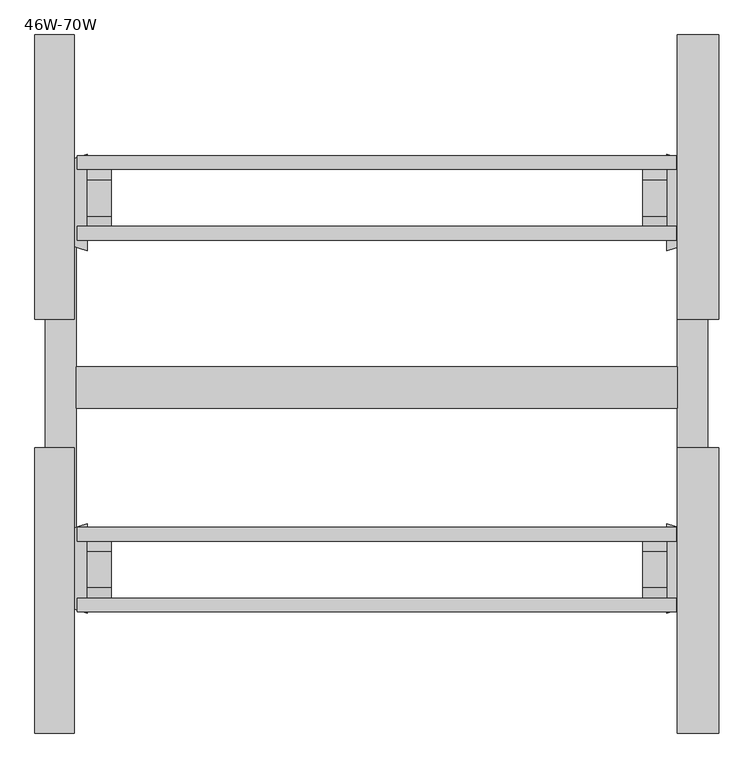
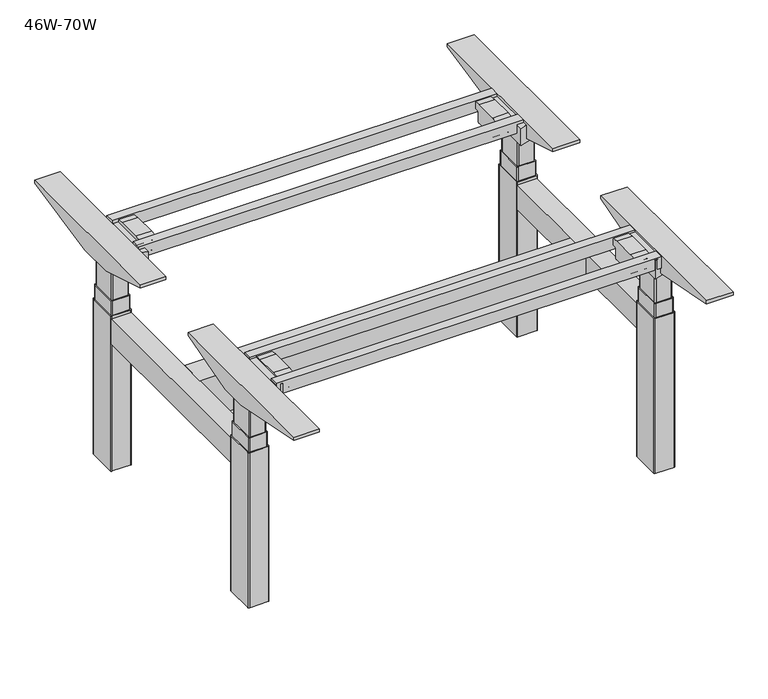
"""IFC4 building model written with IfcOpenShell, lengths in millimetres: furniture geometry, 46W-70W."""

from ifc_helpers import new_model, si_unit, point, frame, frame_2d, origin, origin_with_axes, place, context, project, spatial, polyline, circle_curve, trimmed, segment, composite_curve, outline, extrude, source, transform, mapped, element, save


def furniture_46w_70w_288d140d(model_context):
    return source(origin(), model_context, "Body", "SweptSolid", [
        extrude(outline(polyline([(1179.4504883, -466.1832528), (1179.4504883, -491.5833013), (77.8495117, -491.5833013), (77.8495117, -466.1832528), (1179.4504883, -466.1832528)])), frame((0.0, 0.0, 650.1997747), z_axis=(0.0, 0.0, 1.0), x_axis=(1.0, 0.0, 0.0)), (0.0, 0.0, 1.0), 35.6002253),
        extrude(outline(polyline([(1179.4504883, -336.1417692), (1179.4504883, -361.5418176), (77.8495117, -361.5418176), (77.8495117, -336.1417692), (1179.4504883, -336.1417692)])), frame((0.0, 0.0, 650.1997747), z_axis=(0.0, 0.0, 1.0), x_axis=(1.0, 0.0, 0.0)), (0.0, 0.0, 1.0), 35.6002253),
        extrude(outline(polyline([(1179.4504883, -1019.7166987), (1179.4504883, -1045.1167472), (77.8495117, -1045.1167472), (77.8495117, -1019.7166987), (1179.4504883, -1019.7166987)])), frame((0.0, 0.0, 650.1997747), z_axis=(0.0, 0.0, 1.0), x_axis=(1.0, 0.0, 0.0)), (0.0, 0.0, 1.0), 35.6002253),
        extrude(outline(polyline([(1179.4504883, -1149.7581824), (1179.4504883, -1175.1582308), (77.8495117, -1175.1582308), (77.8495117, -1149.7581824), (1179.4504883, -1149.7581824)])), frame((0.0, 0.0, 650.1997747), z_axis=(0.0, 0.0, 1.0), x_axis=(1.0, 0.0, 0.0)), (0.0, 0.0, 1.0), 35.6002253),
        extrude(outline(polyline([(467.7156009, 1180.882959), (467.7156009, 76.417041), (388.942891, 76.417041), (347.7514117, 129.7292559), (347.7514117, 1127.5707441), (388.942891, 1180.882959), (467.7156009, 1180.882959)])), frame((0.0, -800.1, 0.0), z_axis=(0.0, 1.0, 0.0), x_axis=(0.0, 0.0, 1.0)), (0.0, 0.0, 1.0), 76.2),
        extrude(outline(composite_curve([segment(polyline([(-1040.1471632, 662.7171551), (-1054.6796212, 662.7171551)]), True, "CONTINUOUS"), segment(trimmed(circle_curve(frame_2d((-1054.6796212, 660.1436804)), 2.5734747), [point((-1054.6796212, 662.7171551))], [point((-1057.2530959, 660.1436804))], True, "CARTESIAN"), True, "CONTINUOUS"), segment(polyline([(-1057.2530959, 660.1436804), (-1057.2530959, 633.6605175)]), True, "CONTINUOUS"), segment(trimmed(circle_curve(frame_2d((-1062.3077725, 633.6605175)), 5.0546767), [point((-1057.2530959, 633.6605175))], [point((-1062.3077725, 628.6058409))], False, "CARTESIAN"), True, "CONTINUOUS"), segment(polyline([(-1062.3077725, 628.6058409), (-1131.1363616, 628.6058409)]), True, "CONTINUOUS"), segment(trimmed(circle_curve(frame_2d((-1131.1363616, 633.4898603)), 4.8840194), [point((-1131.1363616, 628.6058409))], [point((-1136.020381, 633.4898603))], False, "CARTESIAN"), True, "CONTINUOUS"), segment(polyline([(-1136.020381, 633.4898603), (-1136.020381, 659.3779551)]), True, "CONTINUOUS"), segment(trimmed(circle_curve(frame_2d((-1139.1693211, 659.3779551)), 3.1489401), [point((-1136.020381, 659.3779551))], [point((-1139.1693211, 662.5268952))], True, "CARTESIAN"), True, "CONTINUOUS"), segment(polyline([(-1139.1693211, 662.5268952), (-1153.5282722, 662.5268952), (-1153.5282722, 682.4799481), (-1129.9048758, 685.8), (-1063.1945212, 685.8), (-1040.1471632, 682.5609051), (-1040.1471632, 662.7171551)]), True, "CONTINUOUS")], self_intersect=False)), frame((1117.6124023, 0.0, 0.0), z_axis=(1.0, 0.0, 0.0), x_axis=(0.0, 1.0, 0.0)), (0.0, 0.0, 1.0), 43.8949951),
        extrude(outline(composite_curve([segment(polyline([(-1040.2605008, 662.7171551), (-1054.7929587, 662.7171551)]), True, "CONTINUOUS"), segment(trimmed(circle_curve(frame_2d((-1054.7929587, 660.1436804)), 2.5734747), [point((-1054.7929587, 662.7171551))], [point((-1057.3664334, 660.1436804))], True, "CARTESIAN"), True, "CONTINUOUS"), segment(polyline([(-1057.3664334, 660.1436804), (-1057.3664334, 633.6605175)]), True, "CONTINUOUS"), segment(trimmed(circle_curve(frame_2d((-1062.42111, 633.6605175)), 5.0546767), [point((-1057.3664334, 633.6605175))], [point((-1062.42111, 628.6058409))], False, "CARTESIAN"), True, "CONTINUOUS"), segment(polyline([(-1062.42111, 628.6058409), (-1131.2496991, 628.6058409)]), True, "CONTINUOUS"), segment(trimmed(circle_curve(frame_2d((-1131.2496991, 633.4898603)), 4.8840194), [point((-1131.2496991, 628.6058409))], [point((-1136.1337185, 633.4898603))], False, "CARTESIAN"), True, "CONTINUOUS"), segment(polyline([(-1136.1337185, 633.4898603), (-1136.1337185, 659.3779551)]), True, "CONTINUOUS"), segment(trimmed(circle_curve(frame_2d((-1139.2826586, 659.3779551)), 3.1489401), [point((-1136.1337185, 659.3779551))], [point((-1139.2826586, 662.5268952))], True, "CARTESIAN"), True, "CONTINUOUS"), segment(polyline([(-1139.2826586, 662.5268952), (-1153.6416097, 662.5268952), (-1153.6416097, 682.4799481), (-1130.0182133, 685.8), (-1063.3078587, 685.8), (-1040.2605008, 682.5609051), (-1040.2605008, 662.7171551)]), True, "CONTINUOUS")], self_intersect=False)), frame((95.7926025, 0.0, 0.0), z_axis=(1.0, 0.0, 0.0), x_axis=(0.0, 1.0, 0.0)), (0.0, 0.0, 1.0), 45.0298096),
        extrude(outline(polyline([(-873.4827468, 676.5860275), (-1057.3018819, 624.5270521), (-1136.5016988, 624.5270521), (-1397.715681, 676.5860275), (-1397.715681, 685.8), (-873.4827468, 685.8), (-873.4827468, 676.5860275)])), frame((1180.882959, 0.0, 0.0), z_axis=(1.0, 0.0, 0.0), x_axis=(0.0, 1.0, 0.0)), (0.0, 0.0, 1.0), 76.417041),
        extrude(outline(polyline([(-873.4827468, 676.5860275), (-1057.3018819, 624.5270521), (-1136.5016988, 624.5270521), (-1397.715681, 676.5860275), (-1397.715681, 685.8), (-873.4827468, 685.8), (-873.4827468, 676.5860275)])), frame((0.0, 0.0, 0.0), z_axis=(1.0, 0.0, 0.0), x_axis=(0.0, 1.0, 0.0)), (0.0, 0.0, 1.0), 72.4079834),
        extrude(outline(composite_curve([segment(polyline([(-471.1298559, 662.7171551), (-471.1298559, 682.5609051), (-448.3484954, 685.7626165), (-381.1061459, 685.7626165), (-357.7487469, 682.4799481), (-357.7487469, 662.5268952), (-372.1076981, 662.5268952)]), True, "CONTINUOUS"), segment(trimmed(circle_curve(frame_2d((-372.1076981, 659.3779551)), 3.1489401), [point((-372.1076981, 662.5268952))], [point((-375.2566381, 659.3779551))], True, "CARTESIAN"), True, "CONTINUOUS"), segment(polyline([(-375.2566381, 659.3779551), (-375.2566381, 633.4898603)]), True, "CONTINUOUS"), segment(trimmed(circle_curve(frame_2d((-380.1406576, 633.4898603)), 4.8840194), [point((-375.2566381, 633.4898603))], [point((-380.1406576, 628.6058409))], False, "CARTESIAN"), True, "CONTINUOUS"), segment(polyline([(-380.1406576, 628.6058409), (-448.9692466, 628.6058409)]), True, "CONTINUOUS"), segment(trimmed(circle_curve(frame_2d((-448.9692466, 633.6605175)), 5.0546767), [point((-448.9692466, 628.6058409))], [point((-454.0239233, 633.6605175))], False, "CARTESIAN"), True, "CONTINUOUS"), segment(polyline([(-454.0239233, 633.6605175), (-454.0239233, 660.1436804)]), True, "CONTINUOUS"), segment(trimmed(circle_curve(frame_2d((-456.5973979, 660.1436804)), 2.5734747), [point((-454.0239233, 660.1436804))], [point((-456.5973979, 662.7171551))], True, "CARTESIAN"), True, "CONTINUOUS"), segment(polyline([(-456.5973979, 662.7171551), (-471.1298559, 662.7171551)]), True, "CONTINUOUS")], self_intersect=False)), frame((1117.6124023, 0.0, 0.0), z_axis=(1.0, 0.0, 0.0), x_axis=(0.0, 1.0, 0.0)), (0.0, 0.0, 1.0), 43.8949951),
        extrude(outline(polyline([(-361.2125066, 624.5270521), (-466.9950396, 624.5270521), (-637.1542941, 676.5860275), (-637.1542941, 685.8), (-114.0732863, 685.8), (-114.0732863, 676.3903854), (-361.2125066, 624.5270521)])), frame((1180.882959, 0.0, 0.0), z_axis=(1.0, 0.0, 0.0), x_axis=(0.0, 1.0, 0.0)), (0.0, 0.0, 1.0), 76.417041),
        extrude(outline(composite_curve([segment(polyline([(-471.1298559, 662.7171551), (-471.1298559, 682.5609051), (-448.3484954, 685.7626165), (-381.1061459, 685.7626165), (-357.7487469, 682.4799481), (-357.7487469, 662.5268952), (-372.1076981, 662.5268952)]), True, "CONTINUOUS"), segment(trimmed(circle_curve(frame_2d((-372.1076981, 659.3779551)), 3.1489401), [point((-372.1076981, 662.5268952))], [point((-375.2566381, 659.3779551))], True, "CARTESIAN"), True, "CONTINUOUS"), segment(polyline([(-375.2566381, 659.3779551), (-375.2566381, 633.4898603)]), True, "CONTINUOUS"), segment(trimmed(circle_curve(frame_2d((-380.1406576, 633.4898603)), 4.8840194), [point((-375.2566381, 633.4898603))], [point((-380.1406576, 628.6058409))], False, "CARTESIAN"), True, "CONTINUOUS"), segment(polyline([(-380.1406576, 628.6058409), (-448.9692466, 628.6058409)]), True, "CONTINUOUS"), segment(trimmed(circle_curve(frame_2d((-448.9692466, 633.6605175)), 5.0546767), [point((-448.9692466, 628.6058409))], [point((-454.0239233, 633.6605175))], False, "CARTESIAN"), True, "CONTINUOUS"), segment(polyline([(-454.0239233, 633.6605175), (-454.0239233, 660.1436804)]), True, "CONTINUOUS"), segment(trimmed(circle_curve(frame_2d((-456.5973979, 660.1436804)), 2.5734747), [point((-454.0239233, 660.1436804))], [point((-456.5973979, 662.7171551))], True, "CARTESIAN"), True, "CONTINUOUS"), segment(polyline([(-456.5973979, 662.7171551), (-471.1298559, 662.7171551)]), True, "CONTINUOUS")], self_intersect=False)), frame((95.7926025, 0.0, 0.0), z_axis=(1.0, 0.0, 0.0), x_axis=(0.0, 1.0, 0.0)), (0.0, 0.0, 1.0), 45.0298096),
        extrude(outline(polyline([(-361.2125066, 624.5270521), (-466.9950396, 624.5270521), (-637.1542941, 676.5860275), (-637.1542941, 685.8), (-114.0732863, 685.8), (-114.0732863, 676.3903854), (-361.2125066, 624.5270521)])), frame((0.0, 0.0, 0.0), z_axis=(1.0, 0.0, 0.0), x_axis=(0.0, 1.0, 0.0)), (0.0, 0.0, 1.0), 72.4079834),
        extrude(outline(composite_curve([segment(trimmed(circle_curve(frame_2d((47.804834, -1102.4053786)), 21.5292959), [point((26.275538, -1102.4053786))], [point((69.3341299, -1102.4053786))], False, "CARTESIAN"), True, "CONTINUOUS"), segment(trimmed(circle_curve(frame_2d((47.804834, -1102.4053786)), 21.5292959), [point((69.3341299, -1102.4053786))], [point((26.275538, -1102.4053786))], False, "CARTESIAN"), True, "CONTINUOUS")], self_intersect=False)), origin_with_axes(), (0.0, 0.0, 1.0), 7.1278597),
        extrude(outline(composite_curve([segment(trimmed(circle_curve(frame_2d((47.804834, -413.3792189)), 21.0370509), [point((26.7677831, -413.3792189))], [point((68.8418849, -413.3792189))], False, "CARTESIAN"), True, "CONTINUOUS"), segment(trimmed(circle_curve(frame_2d((47.804834, -413.3792189)), 21.0370509), [point((68.8418849, -413.3792189))], [point((26.7677831, -413.3792189))], False, "CARTESIAN"), True, "CONTINUOUS")], self_intersect=False)), origin_with_axes(), (0.0, 0.0, 1.0), 7.1278597),
        extrude(outline(composite_curve([segment(trimmed(circle_curve(frame_2d((1210.109082, -413.3792189)), 21.59), [point((1188.519082, -413.3792189))], [point((1231.699082, -413.3792189))], False, "CARTESIAN"), True, "CONTINUOUS"), segment(trimmed(circle_curve(frame_2d((1210.109082, -413.3792189)), 21.59), [point((1231.699082, -413.3792189))], [point((1188.519082, -413.3792189))], False, "CARTESIAN"), True, "CONTINUOUS")], self_intersect=False)), origin_with_axes(), (0.0, 0.0, 1.0), 7.1278597),
        extrude(outline(composite_curve([segment(trimmed(circle_curve(frame_2d((1210.109082, -1102.4053786)), 21.5313416), [point((1188.5777404, -1102.4053786))], [point((1231.6404236, -1102.4053786))], False, "CARTESIAN"), True, "CONTINUOUS"), segment(trimmed(circle_curve(frame_2d((1210.109082, -1102.4053786)), 21.5313416), [point((1231.6404236, -1102.4053786))], [point((1188.5777404, -1102.4053786))], False, "CARTESIAN"), True, "CONTINUOUS")], self_intersect=False)), origin_with_axes(), (0.0, 0.0, 1.0), 7.1278597),
        extrude(outline(composite_curve([segment(polyline([(1161.5073975, -1177.3885431), (1161.5073975, -1012.7238864), (1243.7244546, -1038.497732)]), True, "CONTINUOUS"), segment(trimmed(circle_curve(frame_2d((1239.7733237, -1051.1016081)), 13.2086763), [point((1243.7244546, -1038.497732))], [point((1252.982, -1051.1016081))], False, "CARTESIAN"), True, "CONTINUOUS"), segment(polyline([(1252.982, -1051.1016081), (1252.982, -1139.3844441)]), True, "CONTINUOUS"), segment(trimmed(circle_curve(frame_2d((1240.282, -1139.3844441)), 12.7), [point((1252.982, -1139.3844441))], [point((1244.0809698, -1151.5029352))], False, "CARTESIAN"), True, "CONTINUOUS"), segment(polyline([(1244.0809698, -1151.5029352), (1161.5073975, -1177.3885431)]), True, "CONTINUOUS")], self_intersect=False)), frame((0.0, 0.0, 624.5270521), z_axis=(0.0, 0.0, 1.0), x_axis=(1.0, 0.0, 0.0)), (0.0, 0.0, 1.0), 56.7116419),
        extrude(outline(composite_curve([segment(polyline([(95.7926025, -1177.3885431), (13.2190302, -1151.5029352)]), True, "CONTINUOUS"), segment(trimmed(circle_curve(frame_2d((17.018, -1139.3844441)), 12.7), [point((13.2190302, -1151.5029352))], [point((4.318, -1139.3844441))], False, "CARTESIAN"), True, "CONTINUOUS"), segment(polyline([(4.318, -1139.3844441), (4.318, -1051.1016081)]), True, "CONTINUOUS"), segment(trimmed(circle_curve(frame_2d((17.5266763, -1051.1016081)), 13.2086763), [point((4.318, -1051.1016081))], [point((13.5755454, -1038.497732))], False, "CARTESIAN"), True, "CONTINUOUS"), segment(polyline([(13.5755454, -1038.497732), (95.7926025, -1012.7238864), (95.7926025, -1177.3885431)]), True, "CONTINUOUS")], self_intersect=False)), frame((0.0, 0.0, 624.5270521), z_axis=(0.0, 0.0, 1.0), x_axis=(1.0, 0.0, 0.0)), (0.0, 0.0, 1.0), 56.7116419),
        extrude(outline(composite_curve([segment(polyline([(95.7926025, -333.9114569), (95.7926025, -511.2761136), (13.5755454, -485.502268)]), True, "CONTINUOUS"), segment(trimmed(circle_curve(frame_2d((17.5266763, -472.8983919)), 13.2086763), [point((13.5755454, -485.502268))], [point((4.318, -472.8983919))], False, "CARTESIAN"), True, "CONTINUOUS"), segment(polyline([(4.318, -472.8983919), (4.318, -371.9155559)]), True, "CONTINUOUS"), segment(trimmed(circle_curve(frame_2d((17.018, -371.9155559)), 12.7), [point((4.318, -371.9155559))], [point((13.2190302, -359.7970648))], False, "CARTESIAN"), True, "CONTINUOUS"), segment(polyline([(13.2190302, -359.7970648), (95.7926025, -333.9114569)]), True, "CONTINUOUS")], self_intersect=False)), frame((0.0, 0.0, 624.5270521), z_axis=(0.0, 0.0, 1.0), x_axis=(1.0, 0.0, 0.0)), (0.0, 0.0, 1.0), 52.0589754),
        extrude(outline(composite_curve([segment(polyline([(1161.5073975, -333.9114569), (1244.0809698, -359.7970648)]), True, "CONTINUOUS"), segment(trimmed(circle_curve(frame_2d((1240.282, -371.9155559)), 12.7), [point((1244.0809698, -359.7970648))], [point((1252.982, -371.9155559))], False, "CARTESIAN"), True, "CONTINUOUS"), segment(polyline([(1252.982, -371.9155559), (1252.982, -472.8983919)]), True, "CONTINUOUS"), segment(trimmed(circle_curve(frame_2d((1239.7733237, -472.8983919)), 13.2086763), [point((1252.982, -472.8983919))], [point((1243.7244546, -485.502268))], False, "CARTESIAN"), True, "CONTINUOUS"), segment(polyline([(1243.7244546, -485.502268), (1161.5073975, -511.2761136), (1161.5073975, -333.9114569)]), True, "CONTINUOUS")], self_intersect=False)), frame((0.0, 0.0, 624.5270521), z_axis=(0.0, 0.0, 1.0), x_axis=(1.0, 0.0, 0.0)), (0.0, 0.0, 1.0), 52.0589754),
        extrude(outline(polyline([(76.417041, -1051.8557027), (18.5880127, -1051.8557027), (18.5880127, -459.4442973), (76.417041, -459.4442973), (76.417041, -1051.8557027)])), frame((0.0, 0.0, 393.0395994), z_axis=(0.0, 0.0, 1.0), x_axis=(1.0, 0.0, 0.0)), (0.0, 0.0, 1.0), 74.6760015),
        extrude(outline(polyline([(1236.7958252, -1051.8557027), (1180.882959, -1051.8557027), (1180.882959, -459.4442973), (1236.7958252, -459.4442973), (1236.7958252, -1051.8557027)])), frame((0.0, 0.0, 393.0395994), z_axis=(0.0, 0.0, 1.0), x_axis=(1.0, 0.0, 0.0)), (0.0, 0.0, 1.0), 74.6760015),
        extrude(outline(composite_curve([segment(trimmed(circle_curve(frame_2d((1188.0001633, -1133.3935521)), 3.1081467), [point((1188.0001633, -1136.5016988))], [point((1184.8920166, -1133.3935521))], False, "CARTESIAN"), True, "CONTINUOUS"), segment(polyline([(1184.8920166, -1133.3935521), (1184.8920166, -1060.4581797)]), True, "CONTINUOUS"), segment(trimmed(circle_curve(frame_2d((1188.0483144, -1060.4581797)), 3.1562978), [point((1184.8920166, -1060.4581797))], [point((1188.0483144, -1057.3018819))], False, "CARTESIAN"), True, "CONTINUOUS"), segment(polyline([(1188.0483144, -1057.3018819), (1231.0503154, -1057.3018819)]), True, "CONTINUOUS"), segment(trimmed(circle_curve(frame_2d((1231.0503154, -1060.3498819)), 3.048), [point((1231.0503154, -1057.3018819))], [point((1234.0983154, -1060.3498819))], False, "CARTESIAN"), True, "CONTINUOUS"), segment(polyline([(1234.0983154, -1060.3498819), (1234.0983154, -1133.4159888)]), True, "CONTINUOUS"), segment(trimmed(circle_curve(frame_2d((1231.0126054, -1133.4159888)), 3.08571), [point((1234.0983154, -1133.4159888))], [point((1231.0126054, -1136.5016988))], False, "CARTESIAN"), True, "CONTINUOUS"), segment(polyline([(1231.0126054, -1136.5016988), (1188.0001633, -1136.5016988)]), True, "CONTINUOUS")], self_intersect=False)), frame((0.0, 0.0, 519.3710521), z_axis=(0.0, 0.0, 1.0), x_axis=(1.0, 0.0, 0.0)), (0.0, 0.0, 1.0), 105.156),
        extrude(outline(composite_curve([segment(polyline([(69.2998367, -1136.5016988), (26.2873946, -1136.5016988)]), True, "CONTINUOUS"), segment(trimmed(circle_curve(frame_2d((26.2873946, -1133.4159888)), 3.08571), [point((26.2873946, -1136.5016988))], [point((23.2016846, -1133.4159888))], False, "CARTESIAN"), True, "CONTINUOUS"), segment(polyline([(23.2016846, -1133.4159888), (23.2016846, -1060.3498819)]), True, "CONTINUOUS"), segment(trimmed(circle_curve(frame_2d((26.2496846, -1060.3498819)), 3.048), [point((23.2016846, -1060.3498819))], [point((26.2496846, -1057.3018819))], False, "CARTESIAN"), True, "CONTINUOUS"), segment(polyline([(26.2496846, -1057.3018819), (69.2516856, -1057.3018819)]), True, "CONTINUOUS"), segment(trimmed(circle_curve(frame_2d((69.2516856, -1060.4581797)), 3.1562978), [point((69.2516856, -1057.3018819))], [point((72.4079834, -1060.4581797))], False, "CARTESIAN"), True, "CONTINUOUS"), segment(polyline([(72.4079834, -1060.4581797), (72.4079834, -1133.3935521)]), True, "CONTINUOUS"), segment(trimmed(circle_curve(frame_2d((69.2998367, -1133.3935521)), 3.1081467), [point((72.4079834, -1133.3935521))], [point((69.2998367, -1136.5016988))], False, "CARTESIAN"), True, "CONTINUOUS")], self_intersect=False)), frame((0.0, 0.0, 519.3710521), z_axis=(0.0, 0.0, 1.0), x_axis=(1.0, 0.0, 0.0)), (0.0, 0.0, 1.0), 105.156),
        extrude(outline(composite_curve([segment(trimmed(circle_curve(frame_2d((1185.1657938, -1136.2325725)), 2.971287), [point((1185.1657938, -1139.2038595))], [point((1182.1945068, -1136.2325725))], False, "CARTESIAN"), True, "CONTINUOUS"), segment(polyline([(1182.1945068, -1136.2325725), (1182.1945068, -1057.5238315)]), True, "CONTINUOUS"), segment(trimmed(circle_curve(frame_2d((1185.1186171, -1057.5238315)), 2.9241102), [point((1182.1945068, -1057.5238315))], [point((1185.1186171, -1054.5997213))], False, "CARTESIAN"), True, "CONTINUOUS"), segment(polyline([(1185.1186171, -1054.5997213), (1233.6718357, -1054.5997213)]), True, "CONTINUOUS"), segment(trimmed(circle_curve(frame_2d((1233.6718357, -1057.7237108)), 3.1239895), [point((1233.6718357, -1054.5997213))], [point((1236.7958252, -1057.7237108))], False, "CARTESIAN"), True, "CONTINUOUS"), segment(polyline([(1236.7958252, -1057.7237108), (1236.7958252, -1136.1514433)]), True, "CONTINUOUS"), segment(trimmed(circle_curve(frame_2d((1233.743409, -1136.1514433)), 3.0524162), [point((1236.7958252, -1136.1514433))], [point((1233.743409, -1139.2038595))], False, "CARTESIAN"), True, "CONTINUOUS"), segment(polyline([(1233.743409, -1139.2038595), (1185.1657938, -1139.2038595)]), True, "CONTINUOUS")], self_intersect=False)), frame((0.0, 0.0, 476.25), z_axis=(0.0, 0.0, 1.0), x_axis=(1.0, 0.0, 0.0)), (0.0, 0.0, 1.0), 43.1210521),
        extrude(outline(composite_curve([segment(polyline([(72.1342062, -1139.2038595), (23.556591, -1139.2038595)]), True, "CONTINUOUS"), segment(trimmed(circle_curve(frame_2d((23.556591, -1136.1514433)), 3.0524162), [point((23.556591, -1139.2038595))], [point((20.5041748, -1136.1514433))], False, "CARTESIAN"), True, "CONTINUOUS"), segment(polyline([(20.5041748, -1136.1514433), (20.5041748, -1057.7237108)]), True, "CONTINUOUS"), segment(trimmed(circle_curve(frame_2d((23.6281643, -1057.7237108)), 3.1239895), [point((20.5041748, -1057.7237108))], [point((23.6281643, -1054.5997213))], False, "CARTESIAN"), True, "CONTINUOUS"), segment(polyline([(23.6281643, -1054.5997213), (72.1813829, -1054.5997213)]), True, "CONTINUOUS"), segment(trimmed(circle_curve(frame_2d((72.1813829, -1057.5238315)), 2.9241102), [point((72.1813829, -1054.5997213))], [point((75.1054932, -1057.5238315))], False, "CARTESIAN"), True, "CONTINUOUS"), segment(polyline([(75.1054932, -1057.5238315), (75.1054932, -1136.2325725)]), True, "CONTINUOUS"), segment(trimmed(circle_curve(frame_2d((72.1342062, -1136.2325725)), 2.971287), [point((75.1054932, -1136.2325725))], [point((72.1342062, -1139.2038595))], False, "CARTESIAN"), True, "CONTINUOUS")], self_intersect=False)), frame((0.0, 0.0, 476.25), z_axis=(0.0, 0.0, 1.0), x_axis=(1.0, 0.0, 0.0)), (0.0, 0.0, 1.0), 43.1210521),
        extrude(outline(composite_curve([segment(polyline([(1182.4984883, -1051.8557027), (1236.5092141, -1051.8557027)]), True, "CONTINUOUS"), segment(trimmed(circle_curve(frame_2d((1236.5092141, -1054.8677288)), 3.0120261), [point((1236.5092141, -1051.8557027))], [point((1239.5212402, -1054.8677288))], False, "CARTESIAN"), True, "CONTINUOUS"), segment(polyline([(1239.5212402, -1054.8677288), (1239.5212402, -1138.899878)]), True, "CONTINUOUS"), segment(trimmed(circle_curve(frame_2d((1236.4732402, -1138.899878)), 3.048), [point((1239.5212402, -1138.899878))], [point((1236.4732402, -1141.947878))], False, "CARTESIAN"), True, "CONTINUOUS"), segment(polyline([(1236.4732402, -1141.947878), (1182.4769904, -1141.947878)]), True, "CONTINUOUS"), segment(trimmed(circle_curve(frame_2d((1182.4769904, -1138.9213759)), 3.0265021), [point((1182.4769904, -1141.947878))], [point((1179.4504883, -1138.9213759))], False, "CARTESIAN"), True, "CONTINUOUS"), segment(polyline([(1179.4504883, -1138.9213759), (1179.4504883, -1054.9037027)]), True, "CONTINUOUS"), segment(trimmed(circle_curve(frame_2d((1182.4984883, -1054.9037027)), 3.048), [point((1179.4504883, -1054.9037027))], [point((1182.4984883, -1051.8557027))], False, "CARTESIAN"), True, "CONTINUOUS")], self_intersect=False)), frame((0.0, 0.0, 7.1278597), z_axis=(0.0, 0.0, 1.0), x_axis=(1.0, 0.0, 0.0)), (0.0, 0.0, 1.0), 469.1221403),
        extrude(outline(composite_curve([segment(trimmed(circle_curve(frame_2d((74.8015117, -1054.9037027)), 3.048), [point((74.8015117, -1051.8557027))], [point((77.8495117, -1054.9037027))], False, "CARTESIAN"), True, "CONTINUOUS"), segment(polyline([(77.8495117, -1054.9037027), (77.8495117, -1138.9213759)]), True, "CONTINUOUS"), segment(trimmed(circle_curve(frame_2d((74.8230096, -1138.9213759)), 3.0265021), [point((77.8495117, -1138.9213759))], [point((74.8230096, -1141.947878))], False, "CARTESIAN"), True, "CONTINUOUS"), segment(polyline([(74.8230096, -1141.947878), (20.8267598, -1141.947878)]), True, "CONTINUOUS"), segment(trimmed(circle_curve(frame_2d((20.8267598, -1138.899878)), 3.048), [point((20.8267598, -1141.947878))], [point((17.7787598, -1138.899878))], False, "CARTESIAN"), True, "CONTINUOUS"), segment(polyline([(17.7787598, -1138.899878), (17.7787598, -1054.8677288)]), True, "CONTINUOUS"), segment(trimmed(circle_curve(frame_2d((20.7907859, -1054.8677288)), 3.0120261), [point((17.7787598, -1054.8677288))], [point((20.7907859, -1051.8557027))], False, "CARTESIAN"), True, "CONTINUOUS"), segment(polyline([(20.7907859, -1051.8557027), (74.8015117, -1051.8557027)]), True, "CONTINUOUS")], self_intersect=False)), frame((0.0, 0.0, 7.1278597), z_axis=(0.0, 0.0, 1.0), x_axis=(1.0, 0.0, 0.0)), (0.0, 0.0, 1.0), 469.1221403),
        extrude(outline(composite_curve([segment(trimmed(circle_curve(frame_2d((69.2998367, -377.9064479)), 3.1081467), [point((69.2998367, -374.7983012))], [point((72.4079834, -377.9064479))], False, "CARTESIAN"), True, "CONTINUOUS"), segment(polyline([(72.4079834, -377.9064479), (72.4079834, -450.8418203)]), True, "CONTINUOUS"), segment(trimmed(circle_curve(frame_2d((69.2516856, -450.8418203)), 3.1562978), [point((72.4079834, -450.8418203))], [point((69.2516856, -453.9981181))], False, "CARTESIAN"), True, "CONTINUOUS"), segment(polyline([(69.2516856, -453.9981181), (26.2496846, -453.9981181)]), True, "CONTINUOUS"), segment(trimmed(circle_curve(frame_2d((26.2496846, -450.9501181)), 3.048), [point((26.2496846, -453.9981181))], [point((23.2016846, -450.9501181))], False, "CARTESIAN"), True, "CONTINUOUS"), segment(polyline([(23.2016846, -450.9501181), (23.2016846, -377.8840112)]), True, "CONTINUOUS"), segment(trimmed(circle_curve(frame_2d((26.2873946, -377.8840112)), 3.08571), [point((23.2016846, -377.8840112))], [point((26.2873946, -374.7983012))], False, "CARTESIAN"), True, "CONTINUOUS"), segment(polyline([(26.2873946, -374.7983012), (69.2998367, -374.7983012)]), True, "CONTINUOUS")], self_intersect=False)), frame((0.0, 0.0, 519.3710521), z_axis=(0.0, 0.0, 1.0), x_axis=(1.0, 0.0, 0.0)), (0.0, 0.0, 1.0), 105.156),
        extrude(outline(composite_curve([segment(polyline([(1188.0001633, -374.7983012), (1231.0126054, -374.7983012)]), True, "CONTINUOUS"), segment(trimmed(circle_curve(frame_2d((1231.0126054, -377.8840112)), 3.08571), [point((1231.0126054, -374.7983012))], [point((1234.0983154, -377.8840112))], False, "CARTESIAN"), True, "CONTINUOUS"), segment(polyline([(1234.0983154, -377.8840112), (1234.0983154, -450.9501181)]), True, "CONTINUOUS"), segment(trimmed(circle_curve(frame_2d((1231.0503154, -450.9501181)), 3.048), [point((1234.0983154, -450.9501181))], [point((1231.0503154, -453.9981181))], False, "CARTESIAN"), True, "CONTINUOUS"), segment(polyline([(1231.0503154, -453.9981181), (1188.0483144, -453.9981181)]), True, "CONTINUOUS"), segment(trimmed(circle_curve(frame_2d((1188.0483144, -450.8418203)), 3.1562978), [point((1188.0483144, -453.9981181))], [point((1184.8920166, -450.8418203))], False, "CARTESIAN"), True, "CONTINUOUS"), segment(polyline([(1184.8920166, -450.8418203), (1184.8920166, -377.9064479)]), True, "CONTINUOUS"), segment(trimmed(circle_curve(frame_2d((1188.0001633, -377.9064479)), 3.1081467), [point((1184.8920166, -377.9064479))], [point((1188.0001633, -374.7983012))], False, "CARTESIAN"), True, "CONTINUOUS")], self_intersect=False)), frame((0.0, 0.0, 519.3710521), z_axis=(0.0, 0.0, 1.0), x_axis=(1.0, 0.0, 0.0)), (0.0, 0.0, 1.0), 105.156),
        extrude(outline(composite_curve([segment(trimmed(circle_curve(frame_2d((72.1342062, -375.0674275)), 2.971287), [point((72.1342062, -372.0961405))], [point((75.1054932, -375.0674275))], False, "CARTESIAN"), True, "CONTINUOUS"), segment(polyline([(75.1054932, -375.0674275), (75.1054932, -453.7761685)]), True, "CONTINUOUS"), segment(trimmed(circle_curve(frame_2d((72.1813829, -453.7761685)), 2.9241102), [point((75.1054932, -453.7761685))], [point((72.1813829, -456.7002787))], False, "CARTESIAN"), True, "CONTINUOUS"), segment(polyline([(72.1813829, -456.7002787), (23.6281643, -456.7002787)]), True, "CONTINUOUS"), segment(trimmed(circle_curve(frame_2d((23.6281643, -453.5762892)), 3.1239895), [point((23.6281643, -456.7002787))], [point((20.5041748, -453.5762892))], False, "CARTESIAN"), True, "CONTINUOUS"), segment(polyline([(20.5041748, -453.5762892), (20.5041748, -375.1485567)]), True, "CONTINUOUS"), segment(trimmed(circle_curve(frame_2d((23.556591, -375.1485567)), 3.0524162), [point((20.5041748, -375.1485567))], [point((23.556591, -372.0961405))], False, "CARTESIAN"), True, "CONTINUOUS"), segment(polyline([(23.556591, -372.0961405), (72.1342062, -372.0961405)]), True, "CONTINUOUS")], self_intersect=False)), frame((0.0, 0.0, 476.25), z_axis=(0.0, 0.0, 1.0), x_axis=(1.0, 0.0, 0.0)), (0.0, 0.0, 1.0), 43.1210521),
        extrude(outline(composite_curve([segment(polyline([(1185.1657938, -372.0961405), (1233.743409, -372.0961405)]), True, "CONTINUOUS"), segment(trimmed(circle_curve(frame_2d((1233.743409, -375.1485567)), 3.0524162), [point((1233.743409, -372.0961405))], [point((1236.7958252, -375.1485567))], False, "CARTESIAN"), True, "CONTINUOUS"), segment(polyline([(1236.7958252, -375.1485567), (1236.7958252, -453.5762892)]), True, "CONTINUOUS"), segment(trimmed(circle_curve(frame_2d((1233.6718357, -453.5762892)), 3.1239895), [point((1236.7958252, -453.5762892))], [point((1233.6718357, -456.7002787))], False, "CARTESIAN"), True, "CONTINUOUS"), segment(polyline([(1233.6718357, -456.7002787), (1185.1186171, -456.7002787)]), True, "CONTINUOUS"), segment(trimmed(circle_curve(frame_2d((1185.1186171, -453.7761685)), 2.9241102), [point((1185.1186171, -456.7002787))], [point((1182.1945068, -453.7761685))], False, "CARTESIAN"), True, "CONTINUOUS"), segment(polyline([(1182.1945068, -453.7761685), (1182.1945068, -375.0674275)]), True, "CONTINUOUS"), segment(trimmed(circle_curve(frame_2d((1185.1657938, -375.0674275)), 2.971287), [point((1182.1945068, -375.0674275))], [point((1185.1657938, -372.0961405))], False, "CARTESIAN"), True, "CONTINUOUS")], self_intersect=False)), frame((0.0, 0.0, 476.25), z_axis=(0.0, 0.0, 1.0), x_axis=(1.0, 0.0, 0.0)), (0.0, 0.0, 1.0), 43.1210521),
        extrude(outline(composite_curve([segment(polyline([(74.8015117, -459.4442973), (20.7907859, -459.4442973)]), True, "CONTINUOUS"), segment(trimmed(circle_curve(frame_2d((20.7907859, -456.4322712)), 3.0120261), [point((20.7907859, -459.4442973))], [point((17.7787598, -456.4322712))], False, "CARTESIAN"), True, "CONTINUOUS"), segment(polyline([(17.7787598, -456.4322712), (17.7787598, -372.400122)]), True, "CONTINUOUS"), segment(trimmed(circle_curve(frame_2d((20.8267598, -372.400122)), 3.048), [point((17.7787598, -372.400122))], [point((20.8267598, -369.352122))], False, "CARTESIAN"), True, "CONTINUOUS"), segment(polyline([(20.8267598, -369.352122), (74.8230096, -369.352122)]), True, "CONTINUOUS"), segment(trimmed(circle_curve(frame_2d((74.8230096, -372.3786241)), 3.0265021), [point((74.8230096, -369.352122))], [point((77.8495117, -372.3786241))], False, "CARTESIAN"), True, "CONTINUOUS"), segment(polyline([(77.8495117, -372.3786241), (77.8495117, -456.3962973)]), True, "CONTINUOUS"), segment(trimmed(circle_curve(frame_2d((74.8015117, -456.3962973)), 3.048), [point((77.8495117, -456.3962973))], [point((74.8015117, -459.4442973))], False, "CARTESIAN"), True, "CONTINUOUS")], self_intersect=False)), frame((0.0, 0.0, 7.1278597), z_axis=(0.0, 0.0, 1.0), x_axis=(1.0, 0.0, 0.0)), (0.0, 0.0, 1.0), 469.1221403),
        extrude(outline(composite_curve([segment(trimmed(circle_curve(frame_2d((1182.4984883, -456.3962973)), 3.048), [point((1182.4984883, -459.4442973))], [point((1179.4504883, -456.3962973))], False, "CARTESIAN"), True, "CONTINUOUS"), segment(polyline([(1179.4504883, -456.3962973), (1179.4504883, -372.3786241)]), True, "CONTINUOUS"), segment(trimmed(circle_curve(frame_2d((1182.4769904, -372.3786241)), 3.0265021), [point((1179.4504883, -372.3786241))], [point((1182.4769904, -369.352122))], False, "CARTESIAN"), True, "CONTINUOUS"), segment(polyline([(1182.4769904, -369.352122), (1236.4732402, -369.352122)]), True, "CONTINUOUS"), segment(trimmed(circle_curve(frame_2d((1236.4732402, -372.400122)), 3.048), [point((1236.4732402, -369.352122))], [point((1239.5212402, -372.400122))], False, "CARTESIAN"), True, "CONTINUOUS"), segment(polyline([(1239.5212402, -372.400122), (1239.5212402, -456.4322712)]), True, "CONTINUOUS"), segment(trimmed(circle_curve(frame_2d((1236.5092141, -456.4322712)), 3.0120261), [point((1239.5212402, -456.4322712))], [point((1236.5092141, -459.4442973))], False, "CARTESIAN"), True, "CONTINUOUS"), segment(polyline([(1236.5092141, -459.4442973), (1182.4984883, -459.4442973)]), True, "CONTINUOUS")], self_intersect=False)), frame((0.0, 0.0, 7.1278597), z_axis=(0.0, 0.0, 1.0), x_axis=(1.0, 0.0, 0.0)), (0.0, 0.0, 1.0), 469.1221403),
    ])


if __name__ == "__main__":
    model = new_model("IFC4")
    model_context = context("Model", 3, world=origin())
    ifc_project = project(units=[si_unit("LENGTHUNIT", "METRE", prefix="MILLI")], contexts=[model_context])
    site = spatial("IfcSite", under=ifc_project)
    building = spatial("IfcBuilding", under=site)
    placement = place(None, origin())
    furniture_46w_70w_shape = furniture_46w_70w_288d140d(model_context)
    element("IfcFurniture", 1, ObjectType="46W-70W", at=placement, inside=building, context=model_context, shape_type="MappedRepresentation", body=[
        mapped(furniture_46w_70w_shape, transform((0.0, 0.0, 0.0), x_axis=(1.0, 0.0, 0.0), y_axis=(0.0, 1.0, 0.0), z_axis=(0.0, 0.0, 1.0))),
    ])
    save(model, "model.ifc")
